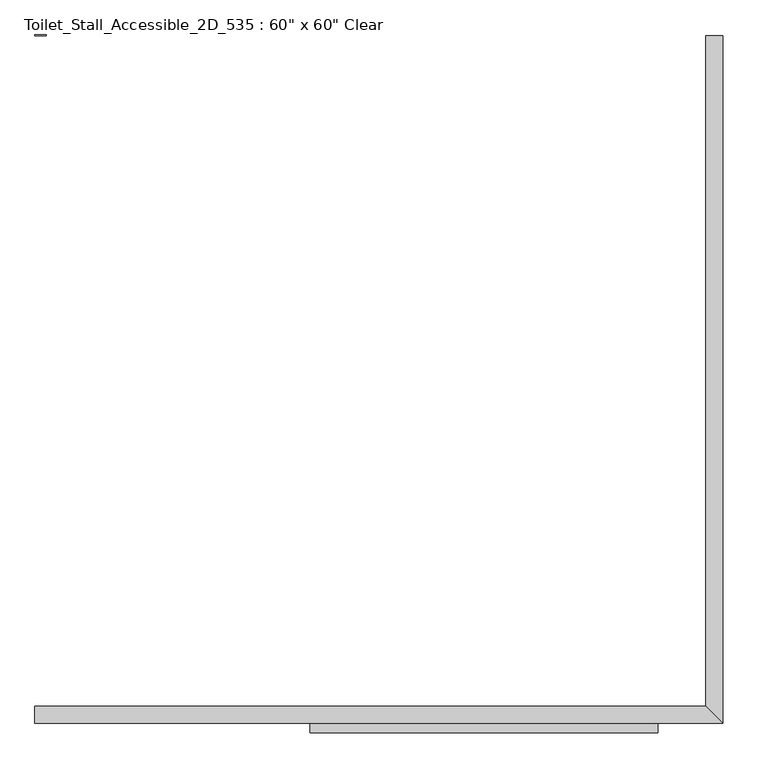
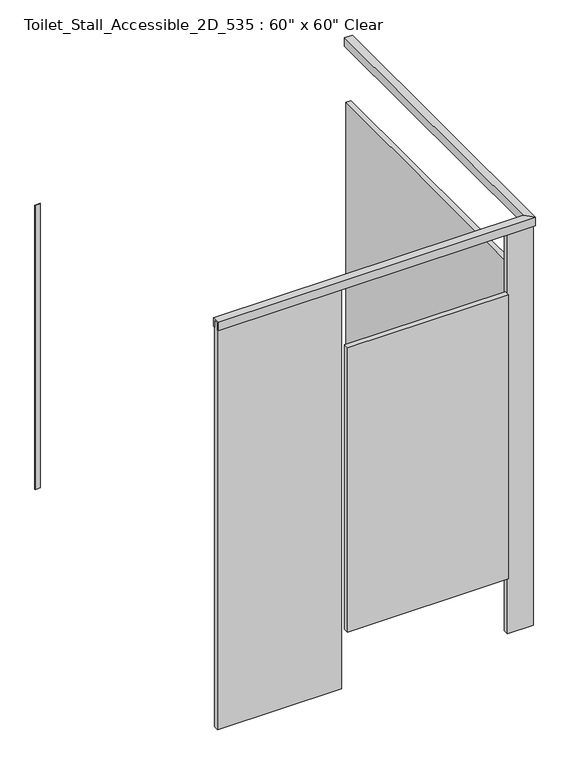
"""IFC4 building model written with IfcOpenShell, lengths in millimetres: proxy geometry."""

from ifc_helpers import new_model, si_unit, frame, origin, origin_with_axes, place, context, project, spatial, polyline, outline, extrude, faceted_brep, source, transform, mapped, element, save


def proxy_dfef22fe(model_context):
    return source(origin(), model_context, "Body", "SolidModel", [
        extrude(outline(polyline([(2881.4031538, -1639.8875), (2094.0031538, -1639.8875), (2094.0031538, -1614.4875), (2881.4031538, -1614.4875), (2881.4031538, -1639.8875)])), frame((0.0, 0.0, 304.8), z_axis=(0.0, 0.0, 1.0), x_axis=(1.0, 0.0, 0.0)), (0.0, 0.0, 1.0), 1473.2),
        faceted_brep([(1471.7031538, -1611.3125, 2108.2), (1471.7031538, -1611.3125, 2070.1), (1471.7031538, -1617.6625, 2070.1), (1471.7031538, -1617.6625, 2114.55), (1471.7031538, -1579.5625, 2114.55), (1471.7031538, -1579.5625, 2070.1), (1471.7031538, -1585.9125, 2070.1), (1471.7031538, -1585.9125, 2108.2), (2995.7031538, -1585.9125, 2108.2), (3021.1031538, -1611.3125, 2108.2), (2995.7031538, -1585.9125, 2070.1), (2989.3531538, -1579.5625, 2070.1), (2989.3531538, -1579.5625, 2114.55), (3027.4531538, -1617.6625, 2114.55), (3027.4531538, -1617.6625, 2070.1), (3021.1031538, -1611.3125, 2070.1), (3021.1031538, -63.5, 2108.2), (2995.7031538, -63.5, 2108.2), (2995.7031538, -63.5, 2070.1), (2989.3531538, -63.5, 2070.1), (2989.3531538, -63.5, 2114.55), (3027.4531538, -63.5, 2114.55), (3027.4531538, -63.5, 2070.1), (3021.1031538, -63.5, 2070.1)], [[[0, 1, 2, 3, 4, 5, 6, 7]], [[7, 8, 9, 0]], [[6, 10, 8, 7]], [[5, 11, 10, 6]], [[4, 12, 11, 5]], [[3, 13, 12, 4]], [[2, 14, 13, 3]], [[1, 15, 14, 2]], [[0, 9, 15, 1]], [[16, 17, 18, 19, 20, 21, 22, 23]], [[8, 17, 16, 9]], [[10, 18, 17, 8]], [[11, 19, 18, 10]], [[12, 20, 19, 11]], [[13, 21, 20, 12]], [[14, 22, 21, 13]], [[15, 23, 22, 14]], [[9, 16, 23, 15]]]),
        extrude(outline(polyline([(2995.7031538, -1587.5), (2995.7031538, -63.5), (3021.1031538, -63.5), (3021.1031538, -1587.5), (2995.7031538, -1587.5)])), frame((0.0, 0.0, 304.8), z_axis=(0.0, 0.0, 1.0), x_axis=(1.0, 0.0, 0.0)), (0.0, 0.0, 1.0), 1473.2),
        extrude(outline(polyline([(2081.3031538, -1611.3125), (1471.7031538, -1611.3125), (1471.7031538, -1585.9125), (2081.3031538, -1585.9125), (2081.3031538, -1611.3125)])), origin_with_axes(), (0.0, 0.0, 1.0), 2108.2),
        extrude(outline(polyline([(3021.1031538, -1611.3125), (2894.1031538, -1611.3125), (2894.1031538, -1585.9125), (3021.1031538, -1585.9125), (3021.1031538, -1611.3125)])), origin_with_axes(), (0.0, 0.0, 1.0), 2108.2),
        extrude(outline(polyline([(1471.7031538, -63.5), (1471.7031538, -61.9125), (1497.1031538, -61.9125), (1497.1031538, -63.5), (1471.7031538, -63.5)])), frame((0.0, 0.0, 304.8), z_axis=(0.0, 0.0, 1.0), x_axis=(1.0, 0.0, 0.0)), (0.0, 0.0, 1.0), 1473.2),
    ])


if __name__ == "__main__":
    model = new_model("IFC4")
    model_context = context("Model", 3, world=origin())
    ifc_project = project(units=[si_unit("LENGTHUNIT", "METRE", prefix="MILLI")], contexts=[model_context])
    site = spatial("IfcSite", under=ifc_project)
    building = spatial("IfcBuilding", under=site)
    placement = place(None, origin())
    proxy_shape = proxy_dfef22fe(model_context)
    element("IfcBuildingElementProxy", 1, Name="Toilet_Stall_Accessible_2D_535 : 60\" x 60\" Clear", ObjectType="Toilet_Stall_Accessible_2D_535 : 60\" x 60\" Clear", at=placement, inside=building, context=model_context, shape_type="MappedRepresentation", body=[
        mapped(proxy_shape, transform((0.0, 0.0, 0.0), x_axis=(1.0, 0.0, 0.0), y_axis=(0.0, 1.0, 0.0), z_axis=(0.0, 0.0, 1.0))),
    ])
    save(model, "model.ifc")
